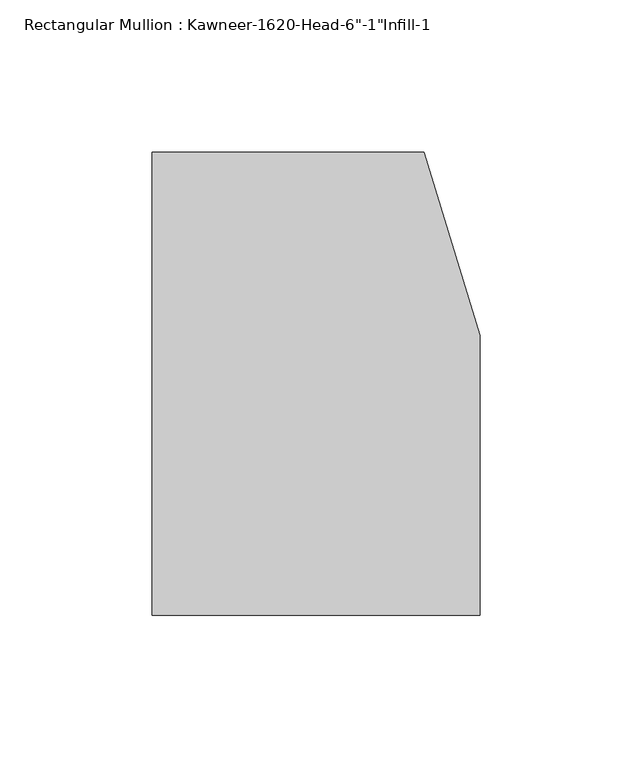
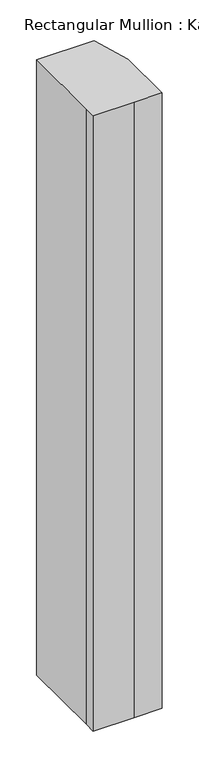
"""IFC4 building model written with IfcOpenShell, lengths in millimetres: member geometry."""

from ifc_helpers import new_model, si_unit, frame, origin, place, context, project, spatial, polyline, outline, extrude, source, transform, mapped, element, save


def member_4f0e2dc5(model_context):
    return source(origin(), model_context, "Body", "SweptSolid", [
        extrude(outline(polyline([(-107.95, -19.9095466), (-107.95, 114.3), (-18.3538271, 114.3), (0.0, 53.975), (0.0, -38.1), (-44.1519366, -38.1), (-107.95, -38.1), (-107.95, -19.9095466)])), frame((0.0, 0.0, -1016.0), z_axis=(0.0, 0.0, 1.0), x_axis=(1.0, 0.0, 0.0)), (0.0, 0.0, 1.0), 1016.0),
    ])


if __name__ == "__main__":
    model = new_model("IFC4")
    model_context = context("Model", 3, world=origin())
    ifc_project = project(units=[si_unit("LENGTHUNIT", "METRE", prefix="MILLI")], contexts=[model_context])
    site = spatial("IfcSite", under=ifc_project)
    building = spatial("IfcBuilding", under=site)
    placement = place(None, origin())
    member_shape = member_4f0e2dc5(model_context)
    element("IfcMember", 1, ObjectType="Rectangular Mullion : Kawneer-1620-Head-6\"-1\"Infill-1", at=placement, inside=building, context=model_context, shape_type="MappedRepresentation", body=[
        mapped(member_shape, transform((0.0, 0.0, 0.0), x_axis=(1.0, 0.0, 0.0), y_axis=(0.0, 1.0, 0.0), z_axis=(0.0, 0.0, 1.0))),
    ])
    save(model, "model.ifc")
